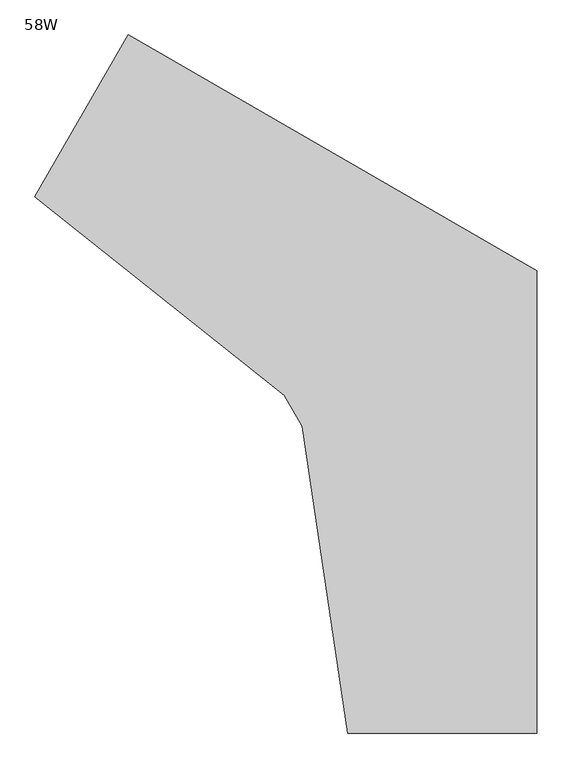
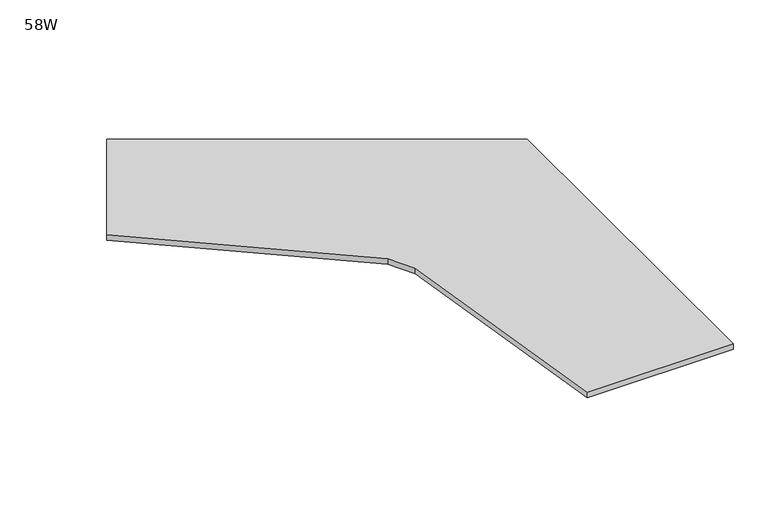
"""IFC4 building model written with IfcOpenShell, lengths in millimetres: furniture geometry, 58W."""

import ifcopenshell
import ifcopenshell.guid

model = None  # the IFC model being written
_history = None  # IfcOwnerHistory: only IFC2X3 demands one
_inside = {}  # id of a spatial element -> (the spatial element, [elements in it])
_under = {}  # id of a project, library or spatial element -> (it, [spatial elements below it])
_declared = {}  # id of a project -> (the project, [libraries it declares])
_typed = {}  # id of a type object -> (the type object, [elements of that type])
_made_of = {}  # id of a material, layer set ... -> (it, [elements and type objects made of it])


def new_model(schema):
    """Start an empty IFC model of exactly this schema.

    Asked for "IFC4X3", IfcOpenShell would pick the latest addendum, in which some entities
    have other attributes; the version numbers below select the first issue.
    IFC2X3 requires an IfcOwnerHistory on every rooted entity: one is made here for all.
    """
    global model, _history
    if schema == "IFC4X3":
        model = ifcopenshell.file(schema_version=(4, 3, 0, 0))
    else:
        model = ifcopenshell.file(schema=schema)
    _inside.clear()
    _under.clear()
    _declared.clear()
    _typed.clear()
    _made_of.clear()
    _history = None
    if model.schema == "IFC2X3":
        org = make("IfcOrganization", Name="unknown")
        user = make(
            "IfcPersonAndOrganization",
            ThePerson=make("IfcPerson", FamilyName="unknown"),
            TheOrganization=org,
        )
        app = make(
            "IfcApplication",
            ApplicationDeveloper=org,
            Version="unknown",
            ApplicationFullName="unknown",
            ApplicationIdentifier="unknown",
        )
        _history = make(
            "IfcOwnerHistory",
            OwningUser=user,
            OwningApplication=app,
            ChangeAction="ADDED",
            CreationDate=0,
        )
    return model


def make(cls, **values):
    """One entity of the class cls with the attributes given. An attribute that is None is left unset."""
    return model.create_entity(
        cls, **{name: value for name, value in values.items() if value is not None}
    )


def rooted(cls, **values):
    """An entity with a GlobalId (a new one), such as an element, a storey or a relation."""
    return make(cls, GlobalId=ifcopenshell.guid.new(), OwnerHistory=_history, **values)


def si_unit(unit_type, name, prefix=None):
    """IfcSIUnit, for example si_unit("LENGTHUNIT", "METRE", prefix="MILLI")."""
    return make("IfcSIUnit", UnitType=unit_type, Prefix=prefix, Name=name)


def assignment(units):
    """IfcUnitAssignment: the units of a project."""
    return None if units is None else make("IfcUnitAssignment", Units=units)


def point(xyz):
    """IfcCartesianPoint."""
    return None if xyz is None else make("IfcCartesianPoint", Coordinates=xyz)


def direction(xyz):
    """IfcDirection."""
    return None if xyz is None else make("IfcDirection", DirectionRatios=xyz)


def frame(location, z_axis=None, x_axis=None):
    """IfcAxis2Placement3D, a coordinate frame: its origin and axes. An axis left out is left unset."""
    return make(
        "IfcAxis2Placement3D",
        Location=point(location),
        Axis=direction(z_axis),
        RefDirection=direction(x_axis),
    )


def frame_2d(location, x_axis=None):
    """IfcAxis2Placement2D, a coordinate frame in the plane: its origin and x axis."""
    return make(
        "IfcAxis2Placement2D", Location=point(location), RefDirection=direction(x_axis)
    )


def origin():
    """The frame at (0, 0, 0) with its axes left unset."""
    return frame((0.0, 0.0, 0.0))


def place(relative_to, where):
    """IfcLocalPlacement: puts the frame where relative to a parent placement (None: the world)."""
    return make(
        "IfcLocalPlacement", PlacementRelTo=relative_to, RelativePlacement=where
    )


def context(
    kind, dimensions, precision=None, world=None, true_north=None, identifier=None
):
    """IfcGeometricRepresentationContext, for example the 3D "Model" context."""
    return make(
        "IfcGeometricRepresentationContext",
        ContextIdentifier=identifier,
        ContextType=kind,
        CoordinateSpaceDimension=dimensions,
        Precision=precision,
        WorldCoordinateSystem=world,
        TrueNorth=true_north,
    )


def project(units=None, contexts=None):
    """IfcProject with its units and contexts."""
    return rooted(
        "IfcProject",
        Name="project",
        RepresentationContexts=contexts,
        UnitsInContext=assignment(units),
    )


def spatial(cls, under=None, at=None, **own):
    """A site, building, storey or space (cls), placed at a placement, below another one or the project."""
    s = rooted(cls, ObjectPlacement=at, **own)
    if under is not None:
        _under.setdefault(under.id(), (under, []))[1].append(s)
    return s


def polyline(points):
    """IfcPolyline through the points."""
    return make("IfcPolyline", Points=[point(p) for p in points])


def circle_curve(where, radius):
    """IfcCircle in the frame where."""
    return make("IfcCircle", Position=where, Radius=radius)


def trimmed(basis, trim1, trim2, sense, master):
    """IfcTrimmedCurve: the piece of a basis curve between two trims."""
    return make(
        "IfcTrimmedCurve",
        BasisCurve=basis,
        Trim1=trim1,
        Trim2=trim2,
        SenseAgreement=sense,
        MasterRepresentation=master,
    )


def segment(curve, same_sense, transition):
    """IfcCompositeCurveSegment."""
    return make(
        "IfcCompositeCurveSegment",
        Transition=transition,
        SameSense=same_sense,
        ParentCurve=curve,
    )


def composite_curve(segments, self_intersect=None):
    """IfcCompositeCurve: segments joined end to end."""
    return make("IfcCompositeCurve", Segments=segments, SelfIntersect=self_intersect)


def outline(outer, holes=None, kind="AREA"):
    """IfcArbitraryClosedProfileDef: a profile drawn as a closed curve; with holes, ...WithVoids."""
    if holes is None:
        return make("IfcArbitraryClosedProfileDef", ProfileType=kind, OuterCurve=outer)
    return make(
        "IfcArbitraryProfileDefWithVoids",
        ProfileType=kind,
        OuterCurve=outer,
        InnerCurves=holes,
    )


def extrude(swept, where, along, depth):
    """IfcExtrudedAreaSolid: the profile swept, set in the frame where, extruded along a direction by depth."""
    return make(
        "IfcExtrudedAreaSolid",
        SweptArea=swept,
        Position=where,
        ExtrudedDirection=direction(along),
        Depth=depth,
    )


def shape(context_of_items, identifier, shape_type, items):
    """IfcShapeRepresentation: the items that make up one representation, for example the "Body"."""
    return make(
        "IfcShapeRepresentation",
        ContextOfItems=context_of_items,
        RepresentationIdentifier=identifier,
        RepresentationType=shape_type,
        Items=items,
    )


def source(mapping_origin, context_of_items, identifier, shape_type, items):
    """IfcRepresentationMap: a shape defined once, which mapped items show again and again."""
    return make(
        "IfcRepresentationMap",
        MappingOrigin=mapping_origin,
        MappedRepresentation=shape(context_of_items, identifier, shape_type, items),
    )


def transform(
    local_origin,
    x_axis=None,
    y_axis=None,
    z_axis=None,
    scale=None,
    scale2=None,
    scale3=None,
    uniform=True,
):
    """IfcCartesianTransformationOperator3D, or its non-uniform kind. x_axis, y_axis, z_axis: its Axis1, 2, 3."""
    if uniform:
        return make(
            "IfcCartesianTransformationOperator3D",
            Axis1=direction(x_axis),
            Axis2=direction(y_axis),
            LocalOrigin=point(local_origin),
            Scale=scale,
            Axis3=direction(z_axis),
        )
    return make(
        "IfcCartesianTransformationOperator3DnonUniform",
        Axis1=direction(x_axis),
        Axis2=direction(y_axis),
        LocalOrigin=point(local_origin),
        Scale=scale,
        Axis3=direction(z_axis),
        Scale2=scale2,
        Scale3=scale3,
    )


def mapped(mapping_source, mapping_target):
    """IfcMappedItem: shows the shape of a source again, moved by a transform."""
    return make(
        "IfcMappedItem", MappingSource=mapping_source, MappingTarget=mapping_target
    )


def made_of(thing, what):
    """Note that an element or type object is made of a material, layer set ...; save() writes the relation."""
    if what is not None:
        _made_of.setdefault(what.id(), (what, []))[1].append(thing)
    return thing


def element(
    cls,
    number,
    at=None,
    inside=None,
    cuts=None,
    type_object=None,
    material=None,
    context=None,
    identifier="Body",
    shape_type=None,
    held_by="IfcProductDefinitionShape",
    body=None,
    shapes=None,
    **own,
):
    """One element of the class cls, such as IfcWall. Its Tag is "e" and its number.

    at: its placement. inside: the storey or other place that contains it. cuts: it is an
    opening in that element (IfcRelVoidsElement). A single representation is given by context,
    identifier, shape_type and body (its items); several are given by shapes. held_by: the class
    of the entity that holds the representations. save() writes the other relations.
    """
    e = rooted(cls, Tag="e%d" % number, ObjectPlacement=at, **own)
    if body is not None:
        shapes = [shape(context, identifier, shape_type, body)]
    if shapes is not None:
        e.Representation = make(held_by, Representations=shapes)
    if inside is not None:
        _inside.setdefault(inside.id(), (inside, []))[1].append(e)
    if cuts is not None:
        rooted(
            "IfcRelVoidsElement", RelatingBuildingElement=cuts, RelatedOpeningElement=e
        )
    if type_object is not None:
        _typed.setdefault(type_object.id(), (type_object, []))[1].append(e)
    return made_of(e, material)


def aggregate(whole, parts):
    """IfcRelAggregates: a whole, such as a stair, and the parts it consists of."""
    return rooted("IfcRelAggregates", RelatingObject=whole, RelatedObjects=parts)


def save(model, path):
    """Write the relations noted so far, then the file.

    IfcRelAggregates (storeys below a building ...), IfcRelContainedInSpatialStructure (elements
    in a storey), IfcRelDefinesByType, IfcRelAssociatesMaterial and IfcRelDeclares: one each for
    every whole, place, type object, material and project.
    """
    for whole, parts in _under.values():
        aggregate(whole, parts)
    for where, things in _inside.values():
        rooted(
            "IfcRelContainedInSpatialStructure",
            RelatedElements=things,
            RelatingStructure=where,
        )
    for kind, things in _typed.values():
        rooted("IfcRelDefinesByType", RelatedObjects=things, RelatingType=kind)
    for what, things in _made_of.values():
        rooted("IfcRelAssociatesMaterial", RelatedObjects=things, RelatingMaterial=what)
    for by, libraries in _declared.values():
        rooted("IfcRelDeclares", RelatingContext=by, RelatedDefinitions=libraries)
    model.write(path)


def furniture_58w_12ddc075(model_context):
    return source(origin(), model_context, "Body", "SweptSolid", [
        extrude(outline(composite_curve([segment(polyline([(816.4613957, 741.1079614), (222.1810416, 741.1079614), (77.6328194, 1705.9985922)]), True, "CONTINUOUS"), segment(trimmed(circle_curve(frame_2d((-586.8819331, 1394.7337772)), 733.8021814), [point((77.6328194, 1705.9985922))], [point((21.7065605, 1804.7163219))], True, "CARTESIAN"), True, "CONTINUOUS"), segment(polyline([(21.7065605, 1804.7163219), (-762.9984279, 2429.3462017), (-469.1264415, 2938.3474131), (816.4613957, 2196.1129292), (816.4613957, 741.1079614)]), True, "CONTINUOUS")], self_intersect=False)), frame((0.0, 0.0, 761.0866825), z_axis=(0.0, 0.0, 1.0), x_axis=(1.0, 0.0, 0.0)), (0.0, 0.0, 1.0), 23.7733175),
    ])


if __name__ == "__main__":
    model = new_model("IFC4")
    model_context = context("Model", 3, world=origin())
    ifc_project = project(units=[si_unit("LENGTHUNIT", "METRE", prefix="MILLI")], contexts=[model_context])
    site = spatial("IfcSite", under=ifc_project)
    building = spatial("IfcBuilding", under=site)
    placement = place(None, origin())
    furniture_58w_shape = furniture_58w_12ddc075(model_context)
    element("IfcFurniture", 1, ObjectType="58W", at=placement, inside=building, context=model_context, shape_type="MappedRepresentation", body=[
        mapped(furniture_58w_shape, transform((0.0, 0.0, 0.0), x_axis=(1.0, 0.0, 0.0), y_axis=(0.0, 1.0, 0.0), z_axis=(0.0, 0.0, 1.0))),
    ])
    save(model, "model.ifc")
